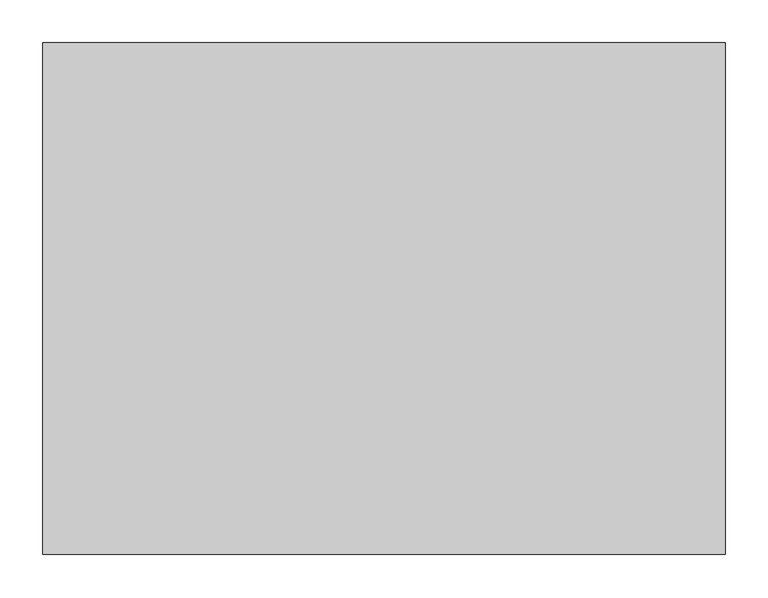
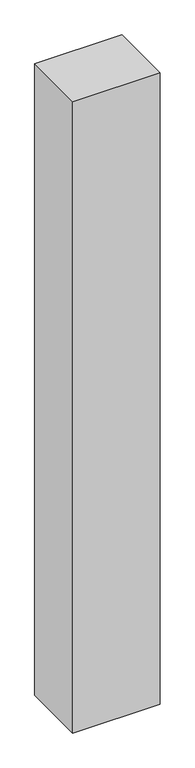
"""IFC4 building model written with IfcOpenShell, lengths in millimetres: proxy geometry."""

from ifc_helpers import new_model, si_unit, origin, origin_with_axes, place, context, project, spatial, polyline, outline, extrude, source, transform, mapped, element, save


def generic_models_62c81d9f(model_context):
    return source(origin(), model_context, "Body", "SweptSolid", [
        extrude(outline(polyline([(800.0, -600.0), (0.0, -600.0), (0.0, 0.0), (800.0, 0.0), (800.0, -600.0)])), origin_with_axes(), (0.0, 0.0, 1.0), 6100.0),
    ])


if __name__ == "__main__":
    model = new_model("IFC4")
    model_context = context("Model", 3, world=origin())
    ifc_project = project(units=[si_unit("LENGTHUNIT", "METRE", prefix="MILLI")], contexts=[model_context])
    site = spatial("IfcSite", under=ifc_project)
    building = spatial("IfcBuilding", under=site)
    placement = place(None, origin())
    generic_models_shape = generic_models_62c81d9f(model_context)
    element("IfcBuildingElementProxy", 1, Name="Generic Models", at=placement, inside=building, context=model_context, shape_type="MappedRepresentation", body=[
        mapped(generic_models_shape, transform((0.0, 0.0, 0.0), x_axis=(1.0, 0.0, 0.0), y_axis=(0.0, 1.0, 0.0), z_axis=(0.0, 0.0, 1.0))),
    ])
    save(model, "model.ifc")
